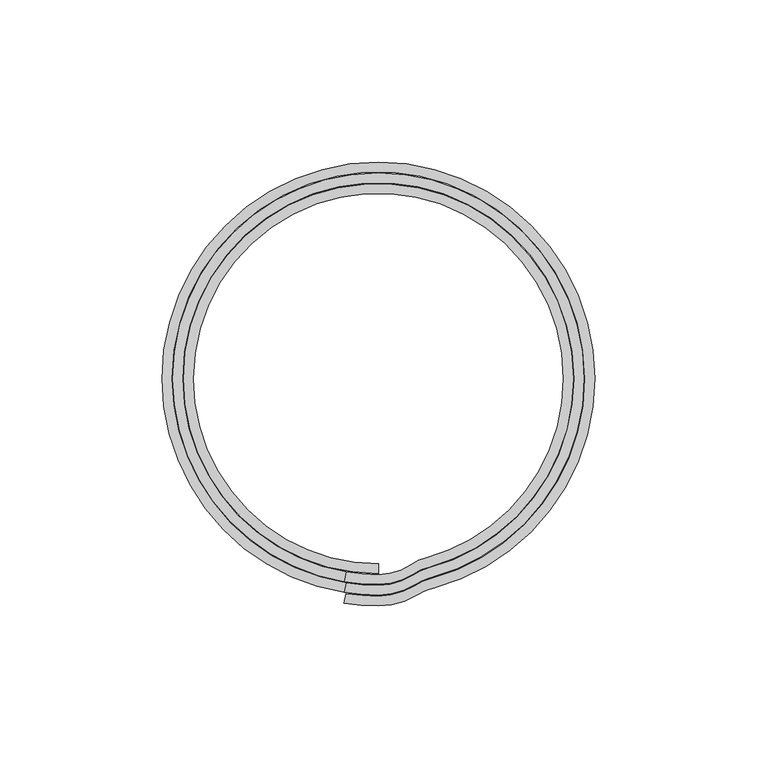
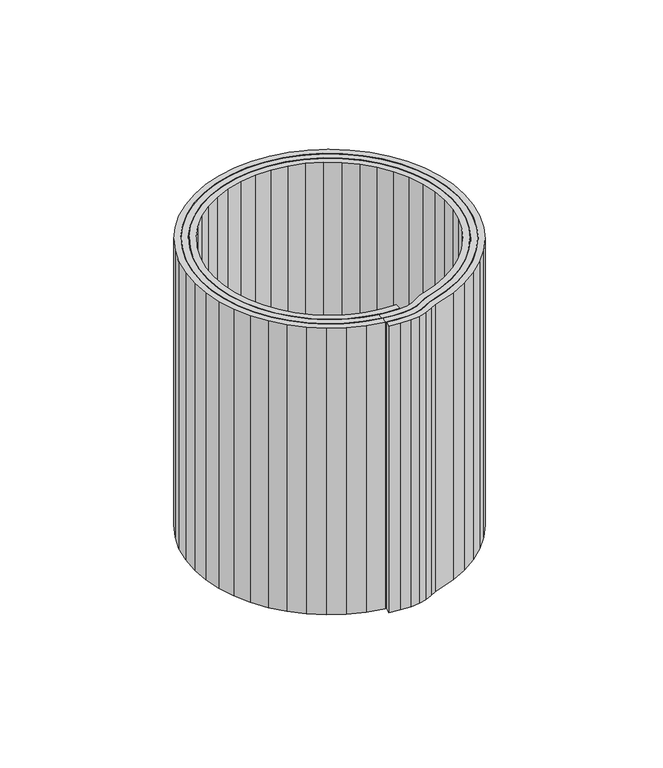
"""IFC4 building model written with IfcOpenShell, lengths in millimetres: beam geometry."""

from ifc_helpers import new_model, si_unit, origin, place, context, project, spatial, triangles, source, transform, mapped, element, save


def beam_7feeba13(model_context):
    return source(origin(), model_context, "Body", "Tessellation", [
        triangles([(63.7499969, 0.0, 150.0000102), (63.7499969, 0.0, 0.0), (63.2046086, -8.3210452, 150.0000102), (63.2046086, -8.3210452, 0.0), (61.577773, -16.4997151, 150.0000102), (61.577773, -16.4997151, 0.0), (58.8973179, -24.3960695, 150.0000102), (58.8973179, -24.3960695, 0.0), (55.209121, -31.8749984, 150.0000102), (55.209121, -31.8749984, 0.0), (50.5762779, -38.8085414, 150.0000102), (50.5762779, -38.8085414, 0.0), (45.0780579, -45.0780579, 150.0000102), (45.0780579, -45.0780579, 0.0), (38.8085414, -50.5762779, 150.0000102), (38.8085414, -50.5762779, 0.0), (31.8749984, -55.209121, 150.0000102), (31.8749984, -55.209121, 0.0), (24.3960695, -58.8973179, 150.0000102), (24.3960695, -58.8973179, 0.0), (16.4997151, -61.577773, 150.0000102), (16.4997151, -61.577773, 0.0), (-63.7499969, 0.0, 150.0000102), (-63.7499969, 0.0, 0.0), (-63.1562331, 8.6806242, 150.0000102), (-63.1562331, 8.6806242, 0.0), (-61.3859787, 17.199544, 150.0000102), (-61.3859787, 17.199544, 0.0), (-58.4722213, 25.3980705, 150.0000102), (-58.4722213, 25.3980705, 0.0), (-54.4692361, 33.1234778, 150.0000102), (-54.4692361, 33.1234778, 0.0), (-49.4515918, 40.2318557, 150.0000102), (-49.4515918, 40.2318557, 0.0), (-43.5127601, 46.5907926, 150.0000102), (-43.5127601, 46.5907926, 0.0), (-36.7633696, 52.0818319, 150.0000102), (-36.7633696, 52.0818319, 0.0), (-29.3291464, 56.6026815, 150.0000102), (-29.3291464, 56.6026815, 0.0), (-21.3485743, 60.0691305, 150.0000102), (-21.3485743, 60.0691305, 0.0), (-12.9703214, 62.4166071, 150.0000102), (-12.9703214, 62.4166071, 0.0), (-4.3504541, 63.6013822, 150.0000102), (-4.3504541, 63.6013822, 0.0), (4.3504541, 63.6013822, 150.0000102), (4.3504541, 63.6013822, 0.0), (12.9703214, 62.4166071, 150.0000102), (12.9703214, 62.4166071, 0.0), (21.3485743, 60.0691305, 150.0000102), (21.3485743, 60.0691305, 0.0), (29.3291464, 56.6026815, 150.0000102), (29.3291464, 56.6026815, 0.0), (36.7633696, 52.0818319, 150.0000102), (36.7633696, 52.0818319, 0.0), (43.5127601, 46.5907926, 150.0000102), (43.5127601, 46.5907926, 0.0), (49.4515918, 40.2318557, 150.0000102), (49.4515918, 40.2318557, 0.0), (54.4692361, 33.1234778, 150.0000102), (54.4692361, 33.1234778, 0.0), (58.4722213, 25.3980705, 150.0000102), (58.4722213, 25.3980705, 0.0), (61.3859787, 17.199544, 150.0000102), (61.3859787, 17.199544, 0.0), (63.1562331, 8.6806242, 150.0000102), (63.1562331, 8.6806242, 0.0), (66.7499954, 0.0, 150.0000102), (66.7499954, 0.0, 0.0), (66.1789456, 8.7126234, 0.0), (66.1789456, 8.7126234, 150.0000102), (64.4755521, 17.2761711, 0.0), (64.4755521, 17.2761711, 150.0000102), (61.6689602, 25.544119, 0.0), (61.6689602, 25.544119, 150.0000102), (57.8071955, 33.3749977, 0.0), (57.8071955, 33.3749977, 150.0000102), (52.9563334, 40.6348244, 0.0), (52.9563334, 40.6348244, 150.0000102), (47.1993765, 47.1993765, 0.0), (47.1993765, 47.1993765, 150.0000102), (40.6348244, 52.9563334, 0.0), (40.6348244, 52.9563334, 150.0000102), (33.3749977, 57.8071955, 0.0), (33.3749977, 57.8071955, 150.0000102), (25.544119, 61.6689602, 0.0), (25.544119, 61.6689602, 150.0000102), (17.2761711, 64.4755521, 0.0), (17.2761711, 64.4755521, 150.0000102), (8.7126234, 66.1789456, 0.0), (8.7126234, 66.1789456, 150.0000102), (0.0, 66.7499954, 0.0), (0.0, 66.7499954, 150.0000102), (-8.7126234, 66.1789456, 0.0), (-8.7126234, 66.1789456, 150.0000102), (-17.2761711, 64.4755521, 0.0), (-17.2761711, 64.4755521, 150.0000102), (-25.544119, 61.6689602, 0.0), (-25.544119, 61.6689602, 150.0000102), (-33.3749977, 57.8071955, 0.0), (-33.3749977, 57.8071955, 150.0000102), (-40.6348244, 52.9563334, 0.0), (-40.6348244, 52.9563334, 150.0000102), (-47.1993765, 47.1993765, 0.0), (-47.1993765, 47.1993765, 150.0000102), (-52.9563334, 40.6348244, 0.0), (-52.9563334, 40.6348244, 150.0000102), (-57.8071955, 33.3749977, 0.0), (-57.8071955, 33.3749977, 150.0000102), (-61.6689602, 25.544119, 0.0), (-61.6689602, 25.544119, 150.0000102), (-64.4755521, 17.2761711, 0.0), (-64.4755521, 17.2761711, 150.0000102), (-66.1789456, 8.7126234, 0.0), (-66.1789456, 8.7126234, 150.0000102), (-66.7499954, 0.0, 0.0), (-66.7499954, 0.0, 150.0000102), (-66.2004741, -8.5475149, 0.0), (-66.2004741, -8.5475149, 150.0000102), (-64.5609348, -16.9542919, 0.0), (-64.5609348, -16.9542919, 150.0000102), (-61.8583881, -25.0819129, 0.0), (-61.8583881, -25.0819129, 150.0000102), (-58.1373262, -32.7965537, 0.0), (-58.1373262, -32.7965537, 150.0000102), (-53.4590189, -39.9711885, 0.0), (-53.4590189, -39.9711885, 150.0000102), (-47.9004964, -46.4876875, 0.0), (-47.9004964, -46.4876875, 150.0000102), (-41.553273, -52.2387582, 0.0), (-41.553273, -52.2387582, 150.0000102), (-34.5218708, -57.1297024, 0.0), (-34.5218708, -57.1297024, 150.0000102), (-26.9220554, -61.0799927, 0.0), (-26.9220554, -61.0799927, 150.0000102), (-18.8789587, -64.0245804, 0.0), (-18.8789587, -64.0245804, 150.0000102), (-10.5250184, -65.9149946, 0.0), (-10.5250184, -65.9149946, 150.0000102), (0.0, -70.0500029, 150.0000102), (0.0, -70.0500029, 0.0), (4.1004336, -69.6810801, 0.0), (4.1004336, -69.6810801, 150.0000102), (8.0691631, -68.5861615, 0.0), (8.0691631, -68.5861615, 150.0000102), (11.7787165, -66.8004148, 0.0), (11.7787165, -66.8004148, 150.0000102), (14.4469379, -65.4476222, 150.0000102), (14.4469379, -65.4476222, 0.0), (17.2761711, -64.4755521, 150.0000102), (17.2761711, -64.4755521, 0.0), (25.544119, -61.6689602, 0.0), (25.544119, -61.6689602, 150.0000102), (33.3749977, -57.8071955, 0.0), (33.3749977, -57.8071955, 150.0000102), (40.6348244, -52.9563334, 0.0), (40.6348244, -52.9563334, 150.0000102), (47.1993765, -47.1993765, 0.0), (47.1993765, -47.1993765, 150.0000102), (52.9563334, -40.6348244, 0.0), (52.9563334, -40.6348244, 150.0000102), (57.8071955, -33.3749977, 0.0), (57.8071955, -33.3749977, 150.0000102), (61.6689602, -25.544119, 0.0), (61.6689602, -25.544119, 150.0000102), (64.4755521, -17.2761711, 0.0), (64.4755521, -17.2761711, 150.0000102), (66.1789456, -8.7126234, 0.0), (66.1789456, -8.7126234, 150.0000102), (-9.9999994, -62.9608054, 150.0000102), (-9.9999994, -62.9608054, 0.0), (-17.9845615, -61.1605882, 150.0000102), (-17.9845615, -61.1605882, 0.0), (-25.6726585, -58.3521841, 150.0000102), (-25.6726585, -58.3521841, 0.0), (-32.9375517, -54.5818655, 150.0000102), (-32.9375517, -54.5818655, 0.0), (-39.6594887, -49.9117972, 150.0000102), (-39.6594887, -49.9117972, 0.0), (-45.7276594, -44.4189593, 150.0000102), (-45.7276594, -44.4189593, 0.0), (-51.0420334, -38.1938942, 150.0000102), (-51.0420334, -38.1938942, 0.0), (-55.5150071, -31.3392208, 150.0000102), (-55.5150071, -31.3392208, 0.0), (-59.0728432, -23.9679388, 150.0000102), (-59.0728432, -23.9679388, 0.0), (-61.6568879, -16.2015581, 150.0000102), (-61.6568879, -16.2015581, 0.0), (-63.224552, -8.1681021, 150.0000102), (-63.224552, -8.1681021, 0.0), (13.7955117, -62.5192217, 0.0), (13.7955117, -62.5192217, 150.0000102), (11.2576295, -63.8451945, 0.0), (11.2576295, -63.8451945, 150.0000102), (7.7253023, -65.6051343, 150.0000102), (7.7253023, -65.6051343, 0.0), (3.9296293, -66.6856779, 150.0000102), (3.9296293, -66.6856779, 0.0), (0.0, -67.0500044, 150.0000102), (0.0, -67.0500044, 0.0), (-5.0140392, -66.8622615, 150.0000102), (-5.0140392, -66.8622615, 0.0), (-9.9999994, -66.3000956, 150.0000102), (-9.9999994, -66.3000956, 0.0), (-10.525107, -69.2547799, 150.0000102), (-10.525107, -69.2547799, 0.0), (-5.2775525, -69.8509144, 0.0), (-5.2775525, -69.8509144, 150.0000102)], [[1, 2, 3], [3, 2, 4], [3, 4, 5], [5, 4, 6], [5, 6, 7], [7, 6, 8], [7, 8, 9], [9, 8, 10], [9, 10, 11], [11, 10, 12], [11, 12, 13], [13, 12, 14], [13, 14, 15], [15, 14, 16], [15, 16, 17], [17, 16, 18], [17, 18, 19], [19, 18, 20], [19, 20, 21], [21, 20, 22], [23, 24, 25], [25, 24, 26], [25, 26, 27], [27, 26, 28], [27, 28, 29], [29, 28, 30], [29, 30, 31], [31, 30, 32], [31, 32, 33], [33, 32, 34], [33, 34, 35], [35, 34, 36], [35, 36, 37], [37, 36, 38], [37, 38, 39], [39, 38, 40], [39, 40, 41], [41, 40, 42], [41, 42, 43], [43, 42, 44], [43, 44, 45], [45, 44, 46], [45, 46, 47], [47, 46, 48], [47, 48, 49], [49, 48, 50], [49, 50, 51], [51, 50, 52], [51, 52, 53], [53, 52, 54], [53, 54, 55], [55, 54, 56], [55, 56, 57], [57, 56, 58], [57, 58, 59], [59, 58, 60], [59, 60, 61], [61, 60, 62], [61, 62, 63], [63, 62, 64], [63, 64, 65], [65, 64, 66], [65, 66, 67], [67, 66, 68], [67, 68, 1], [1, 68, 2], [69, 70, 71], [69, 71, 72], [72, 71, 73], [72, 73, 74], [74, 73, 75], [74, 75, 76], [76, 75, 77], [76, 77, 78], [78, 77, 79], [78, 79, 80], [80, 79, 81], [80, 81, 82], [82, 81, 83], [82, 83, 84], [84, 83, 85], [84, 85, 86], [86, 85, 87], [86, 87, 88], [88, 87, 89], [88, 89, 90], [90, 89, 91], [90, 91, 92], [92, 91, 93], [92, 93, 94], [94, 93, 95], [94, 95, 96], [96, 95, 97], [96, 97, 98], [98, 97, 99], [98, 99, 100], [100, 99, 101], [100, 101, 102], [102, 101, 103], [102, 103, 104], [104, 103, 105], [104, 105, 106], [106, 105, 107], [106, 107, 108], [108, 107, 109], [108, 109, 110], [110, 109, 111], [110, 111, 112], [112, 111, 113], [112, 113, 114], [114, 113, 115], [114, 115, 116], [116, 115, 117], [116, 117, 118], [118, 117, 119], [118, 119, 120], [120, 119, 121], [120, 121, 122], [122, 121, 123], [122, 123, 124], [124, 123, 125], [124, 125, 126], [126, 125, 127], [126, 127, 128], [128, 127, 129], [128, 129, 130], [130, 129, 131], [130, 131, 132], [132, 131, 133], [132, 133, 134], [134, 133, 135], [134, 135, 136], [136, 135, 137], [136, 137, 138], [138, 137, 139], [138, 139, 140], [141, 142, 143], [141, 143, 144], [144, 143, 145], [144, 145, 146], [146, 145, 147], [146, 147, 148], [148, 147, 149], [149, 147, 150], [149, 150, 151], [151, 150, 152], [151, 152, 153], [151, 153, 154], [154, 153, 155], [154, 155, 156], [156, 155, 157], [156, 157, 158], [158, 157, 159], [158, 159, 160], [160, 159, 161], [160, 161, 162], [162, 161, 163], [162, 163, 164], [164, 163, 165], [164, 165, 166], [166, 165, 167], [166, 167, 168], [168, 167, 169], [168, 169, 170], [170, 169, 70], [170, 70, 69], [171, 140, 172], [172, 140, 139], [171, 172, 173], [173, 172, 174], [173, 174, 175], [175, 174, 176], [175, 176, 177], [177, 176, 178], [177, 178, 179], [179, 178, 180], [179, 180, 181], [181, 180, 182], [181, 182, 183], [183, 182, 184], [183, 184, 185], [185, 184, 186], [185, 186, 187], [187, 186, 188], [187, 188, 189], [189, 188, 190], [189, 190, 191], [191, 190, 192], [191, 192, 23], [23, 192, 24], [21, 22, 193], [21, 193, 194], [194, 193, 195], [194, 195, 196], [196, 195, 197], [197, 195, 198], [197, 198, 199], [199, 198, 200], [199, 200, 201], [201, 200, 202], [201, 202, 203], [203, 202, 204], [203, 204, 205], [205, 204, 206], [207, 205, 208], [208, 205, 206], [207, 208, 209], [207, 209, 210], [210, 209, 142], [210, 142, 141], [203, 205, 207], [203, 207, 210], [201, 203, 210], [201, 210, 141], [199, 201, 141], [199, 141, 144], [197, 199, 144], [197, 144, 146], [196, 197, 146], [196, 146, 148], [194, 196, 148], [194, 148, 149], [21, 194, 149], [149, 151, 17], [149, 17, 19], [149, 19, 21], [45, 96, 43], [98, 43, 96], [43, 98, 41], [100, 41, 98], [41, 100, 39], [102, 39, 100], [39, 102, 37], [104, 37, 102], [37, 104, 35], [106, 35, 104], [35, 106, 33], [108, 33, 106], [33, 108, 31], [110, 31, 108], [31, 110, 29], [112, 29, 110], [29, 112, 27], [27, 112, 114], [27, 114, 25], [25, 114, 116], [25, 116, 23], [23, 116, 118], [191, 23, 118], [191, 118, 120], [189, 191, 120], [189, 120, 122], [187, 189, 122], [187, 122, 124], [185, 187, 124], [185, 124, 126], [183, 185, 126], [183, 126, 128], [181, 183, 128], [181, 128, 130], [179, 181, 130], [179, 130, 132], [177, 179, 132], [177, 132, 134], [175, 177, 134], [175, 134, 136], [173, 175, 136], [173, 136, 138], [171, 173, 138], [171, 138, 140], [151, 154, 17], [17, 154, 156], [15, 17, 156], [15, 156, 158], [13, 15, 158], [13, 158, 160], [11, 13, 160], [11, 160, 162], [9, 11, 162], [9, 162, 164], [7, 9, 164], [7, 164, 166], [5, 7, 166], [5, 166, 168], [3, 5, 168], [3, 168, 170], [1, 3, 170], [1, 170, 69], [67, 1, 69], [67, 69, 72], [65, 67, 72], [65, 72, 74], [63, 65, 74], [63, 74, 76], [61, 63, 76], [61, 76, 78], [59, 61, 78], [59, 78, 80], [57, 59, 80], [57, 80, 82], [55, 57, 82], [55, 82, 84], [53, 55, 84], [53, 84, 86], [51, 53, 86], [51, 86, 88], [49, 51, 88], [49, 88, 90], [47, 49, 90], [47, 90, 92], [45, 47, 92], [45, 92, 94], [96, 45, 94], [46, 93, 48], [91, 48, 93], [48, 91, 50], [89, 50, 91], [50, 89, 52], [87, 52, 89], [52, 87, 54], [85, 54, 87], [54, 85, 56], [83, 56, 85], [56, 83, 58], [81, 58, 83], [58, 81, 60], [79, 60, 81], [60, 79, 62], [77, 62, 79], [62, 77, 64], [75, 64, 77], [64, 75, 66], [66, 75, 73], [66, 73, 68], [68, 73, 71], [68, 71, 2], [2, 71, 70], [4, 2, 70], [4, 70, 169], [6, 4, 169], [6, 169, 167], [8, 6, 167], [8, 167, 165], [10, 8, 165], [10, 165, 163], [12, 10, 163], [12, 163, 161], [14, 12, 161], [14, 161, 159], [16, 14, 159], [16, 159, 157], [18, 16, 157], [18, 157, 155], [20, 18, 155], [20, 155, 153], [22, 20, 153], [22, 153, 152], [22, 152, 193], [193, 152, 150], [193, 150, 195], [195, 150, 147], [195, 147, 198], [198, 147, 145], [198, 145, 200], [200, 145, 143], [200, 143, 202], [202, 143, 142], [204, 202, 142], [204, 142, 209], [206, 204, 209], [206, 209, 208], [174, 172, 139], [174, 139, 137], [176, 174, 137], [176, 137, 135], [178, 176, 135], [178, 135, 133], [180, 178, 133], [180, 133, 131], [182, 180, 131], [182, 131, 129], [184, 182, 129], [184, 129, 127], [186, 184, 127], [186, 127, 125], [188, 186, 125], [188, 125, 123], [190, 188, 123], [190, 123, 121], [192, 190, 121], [192, 121, 119], [24, 192, 119], [24, 119, 117], [26, 24, 117], [26, 117, 115], [28, 26, 115], [28, 115, 113], [30, 28, 113], [30, 113, 111], [32, 30, 111], [32, 111, 109], [34, 32, 109], [34, 109, 107], [36, 34, 107], [36, 107, 105], [38, 36, 105], [38, 105, 103], [40, 38, 103], [40, 103, 101], [42, 40, 101], [42, 101, 99], [44, 42, 99], [44, 99, 97], [46, 44, 97], [46, 97, 95], [93, 46, 95]]),
        triangles([(60.4499984, 0.0, 150.0000102), (60.4499984, 0.0, 0.0), (59.9328425, -7.890308, 150.0000102), (59.9328425, -7.890308, 0.0), (58.3902132, -15.6456123, 150.0000102), (58.3902132, -15.6456123, 0.0), (55.8485169, -23.1332128, 150.0000102), (55.8485169, -23.1332128, 0.0), (52.3512377, -30.2249992, 150.0000102), (52.3512377, -30.2249992, 0.0), (47.95821, -36.7996274, 150.0000102), (47.95821, -36.7996274, 0.0), (42.7446066, -42.7446066, 150.0000102), (42.7446066, -42.7446066, 0.0), (36.7996274, -47.95821, 150.0000102), (36.7996274, -47.95821, 0.0), (30.2249992, -52.3512377, 150.0000102), (30.2249992, -52.3512377, 0.0), (23.1332128, -55.8485169, 150.0000102), (23.1332128, -55.8485169, 0.0), (15.6456123, -58.3902132, 150.0000102), (15.6456123, -58.3902132, 0.0), (-60.4499984, 0.0, 150.0000102), (-60.4499984, 0.0, 0.0), (-59.886965, 8.2312739, 150.0000102), (-59.886965, 8.2312739, 0.0), (-58.208352, 16.3092153, 150.0000102), (-58.208352, 16.3092153, 0.0), (-55.4454211, 24.0833456, 150.0000102), (-55.4454211, 24.0833456, 0.0), (-51.6496544, 31.40885, 150.0000102), (-51.6496544, 31.40885, 0.0), (-46.8917508, 38.1492657, 150.0000102), (-46.8917508, 38.1492657, 0.0), (-41.2603403, 44.1790348, 150.0000102), (-41.2603403, 44.1790348, 0.0), (-34.8603245, 49.38583, 150.0000102), (-34.8603245, 49.38583, 0.0), (-27.8109319, 53.6726596, 150.0000102), (-27.8109319, 53.6726596, 0.0), (-20.2434728, 56.9596728, 150.0000102), (-20.2434728, 56.9596728, 0.0), (-12.2989154, 59.1856316, 150.0000102), (-12.2989154, 59.1856316, 0.0), (-4.1252538, 60.3090777, 150.0000102), (-4.1252538, 60.3090777, 0.0), (4.1252538, 60.3090777, 150.0000102), (4.1252538, 60.3090777, 0.0), (12.2989154, 59.1856316, 150.0000102), (12.2989154, 59.1856316, 0.0), (20.2434728, 56.9596728, 150.0000102), (20.2434728, 56.9596728, 0.0), (27.8109319, 53.6726596, 150.0000102), (27.8109319, 53.6726596, 0.0), (34.8603245, 49.38583, 150.0000102), (34.8603245, 49.38583, 0.0), (41.2603403, 44.1790348, 150.0000102), (41.2603403, 44.1790348, 0.0), (46.8917508, 38.1492657, 150.0000102), (46.8917508, 38.1492657, 0.0), (51.6496544, 31.40885, 150.0000102), (51.6496544, 31.40885, 0.0), (55.4454211, 24.0833456, 150.0000102), (55.4454211, 24.0833456, 0.0), (58.208352, 16.3092153, 150.0000102), (58.208352, 16.3092153, 0.0), (59.886965, 8.2312739, 150.0000102), (59.886965, 8.2312739, 0.0), (63.4500015, 0.0, 150.0000102), (63.4500015, 0.0, 0.0), (62.9071749, 8.2818868, 0.0), (62.9071749, 8.2818868, 150.0000102), (61.2879969, 16.4220683, 0.0), (61.2879969, 16.4220683, 150.0000102), (58.6201546, 24.2812623, 0.0), (58.6201546, 24.2812623, 150.0000102), (54.9493122, 31.7250008, 0.0), (54.9493122, 31.7250008, 150.0000102), (50.3382701, 38.6259127, 0.0), (50.3382701, 38.6259127, 150.0000102), (44.8659251, 44.8659251, 0.0), (44.8659251, 44.8659251, 150.0000102), (38.6259127, 50.3382701, 0.0), (38.6259127, 50.3382701, 150.0000102), (31.7250008, 54.9493122, 0.0), (31.7250008, 54.9493122, 150.0000102), (24.2812623, 58.6201546, 0.0), (24.2812623, 58.6201546, 150.0000102), (16.4220683, 61.2879969, 0.0), (16.4220683, 61.2879969, 150.0000102), (8.2818868, 62.9071749, 0.0), (8.2818868, 62.9071749, 150.0000102), (0.0, 63.4500015, 0.0), (0.0, 63.4500015, 150.0000102), (-8.2818868, 62.9071749, 0.0), (-8.2818868, 62.9071749, 150.0000102), (-16.4220683, 61.2879969, 0.0), (-16.4220683, 61.2879969, 150.0000102), (-24.2812623, 58.6201546, 0.0), (-24.2812623, 58.6201546, 150.0000102), (-31.7250008, 54.9493122, 0.0), (-31.7250008, 54.9493122, 150.0000102), (-38.6259127, 50.3382701, 0.0), (-38.6259127, 50.3382701, 150.0000102), (-44.8659251, 44.8659251, 0.0), (-44.8659251, 44.8659251, 150.0000102), (-50.3382701, 38.6259127, 0.0), (-50.3382701, 38.6259127, 150.0000102), (-54.9493122, 31.7250008, 0.0), (-54.9493122, 31.7250008, 150.0000102), (-58.6201546, 24.2812623, 0.0), (-58.6201546, 24.2812623, 150.0000102), (-61.2879969, 16.4220683, 0.0), (-61.2879969, 16.4220683, 150.0000102), (-62.9071749, 8.2818868, 0.0), (-62.9071749, 8.2818868, 150.0000102), (-63.4500015, 0.0, 0.0), (-63.4500015, 0.0, 150.0000102), (-62.9337585, -8.0774037, 0.0), (-62.9337585, -8.0774037, 150.0000102), (-61.3934365, -16.0233679, 0.0), (-61.3934365, -16.0233679, 150.0000102), (-58.8540975, -23.7085956, 0.0), (-58.8540975, -23.7085956, 150.0000102), (-55.3570635, -31.0080274, 0.0), (-55.3570635, -31.0080274, 150.0000102), (-50.9592396, -37.8028865, 0.0), (-50.9592396, -37.8028865, 150.0000102), (-45.7321922, -43.9826033, 0.0), (-45.7321922, -43.9826033, 150.0000102), (-39.7609678, -49.4466185, 0.0), (-39.7609678, -49.4466185, 150.0000102), (-33.1427422, -54.1060179, 0.0), (-33.1427422, -54.1060179, 150.0000102), (-25.9852053, -57.8849887, 0.0), (-25.9852053, -57.8849887, 150.0000102), (-18.4048268, -60.7220294, 0.0), (-18.4048268, -60.7220294, 150.0000102), (-10.5249571, -62.5709809, 0.0), (-10.5249571, -62.5709809, 150.0000102), (0.0, -66.7499954, 150.0000102), (0.0, -66.7499954, 0.0), (3.9125672, -66.3861323, 0.0), (3.9125672, -66.3861323, 150.0000102), (7.6909379, -65.3070194, 0.0), (7.6909379, -65.3070194, 150.0000102), (11.2055217, -63.5496684, 0.0), (11.2055217, -63.5496684, 150.0000102), (13.7303597, -62.2263889, 150.0000102), (13.7303597, -62.2263889, 0.0), (16.4220683, -61.2879969, 150.0000102), (16.4220683, -61.2879969, 0.0), (24.2812623, -58.6201546, 0.0), (24.2812623, -58.6201546, 150.0000102), (31.7250008, -54.9493122, 0.0), (31.7250008, -54.9493122, 150.0000102), (38.6259127, -50.3382701, 0.0), (38.6259127, -50.3382701, 150.0000102), (44.8659251, -44.8659251, 0.0), (44.8659251, -44.8659251, 150.0000102), (50.3382701, -38.6259127, 0.0), (50.3382701, -38.6259127, 150.0000102), (54.9493122, -31.7250008, 0.0), (54.9493122, -31.7250008, 150.0000102), (58.6201546, -24.2812623, 0.0), (58.6201546, -24.2812623, 150.0000102), (61.2879969, -16.4220683, 0.0), (61.2879969, -16.4220683, 150.0000102), (62.9071749, -8.2818868, 0.0), (62.9071749, -8.2818868, 150.0000102), (-9.9999994, -59.6171323, 150.0000102), (-9.9999994, -59.6171323, 0.0), (-17.5105148, -57.8583143, 150.0000102), (-17.5105148, -57.8583143, 0.0), (-24.7359061, -55.1573845, 150.0000102), (-24.7359061, -55.1573845, 0.0), (-31.5585252, -51.5583355, 150.0000102), (-31.5585252, -51.5583355, 0.0), (-37.8672789, -47.1197619, 150.0000102), (-37.8672789, -47.1197619, 0.0), (-43.5594369, -41.9139387, 150.0000102), (-43.5594369, -41.9139387, 0.0), (-48.5423177, -36.0256285, 150.0000102), (-48.5423177, -36.0256285, 0.0), (-52.7347853, -29.5507172, 150.0000102), (-52.7347853, -29.5507172, 0.0), (-56.0685753, -22.5946306, 150.0000102), (-56.0685753, -22.5946306, 0.0), (-58.4893986, -15.2706363, 150.0000102), (-58.4893986, -15.2706363, 0.0), (-59.9578455, -7.6979915, 150.0000102), (-59.9578455, -7.6979915, 0.0), (13.0787211, -59.298052, 0.0), (13.0787211, -59.298052, 150.0000102), (10.6844201, -60.5943619, 0.0), (10.6844201, -60.5943619, 150.0000102), (7.3475359, -62.3258196, 150.0000102), (7.3475359, -62.3258196, 0.0), (3.7421439, -63.390671, 150.0000102), (3.7421439, -63.390671, 0.0), (0.0, -63.7499969, 150.0000102), (0.0, -63.7499969, 0.0), (-5.0155471, -63.5523935, 150.0000102), (-5.0155471, -63.5523935, 0.0), (-9.9999994, -62.9608054, 150.0000102), (-9.9999994, -62.9608054, 0.0), (-10.5250184, -65.9149946, 150.0000102), (-10.5250184, -65.9149946, 0.0), (-5.2790451, -66.5409193, 0.0), (-5.2790451, -66.5409193, 150.0000102)], [[1, 2, 3], [3, 2, 4], [3, 4, 5], [5, 4, 6], [5, 6, 7], [7, 6, 8], [7, 8, 9], [9, 8, 10], [9, 10, 11], [11, 10, 12], [11, 12, 13], [13, 12, 14], [13, 14, 15], [15, 14, 16], [15, 16, 17], [17, 16, 18], [17, 18, 19], [19, 18, 20], [19, 20, 21], [21, 20, 22], [23, 24, 25], [25, 24, 26], [25, 26, 27], [27, 26, 28], [27, 28, 29], [29, 28, 30], [29, 30, 31], [31, 30, 32], [31, 32, 33], [33, 32, 34], [33, 34, 35], [35, 34, 36], [35, 36, 37], [37, 36, 38], [37, 38, 39], [39, 38, 40], [39, 40, 41], [41, 40, 42], [41, 42, 43], [43, 42, 44], [43, 44, 45], [45, 44, 46], [45, 46, 47], [47, 46, 48], [47, 48, 49], [49, 48, 50], [49, 50, 51], [51, 50, 52], [51, 52, 53], [53, 52, 54], [53, 54, 55], [55, 54, 56], [55, 56, 57], [57, 56, 58], [57, 58, 59], [59, 58, 60], [59, 60, 61], [61, 60, 62], [61, 62, 63], [63, 62, 64], [63, 64, 65], [65, 64, 66], [65, 66, 67], [67, 66, 68], [67, 68, 1], [1, 68, 2], [69, 70, 71], [69, 71, 72], [72, 71, 73], [72, 73, 74], [74, 73, 75], [74, 75, 76], [76, 75, 77], [76, 77, 78], [78, 77, 79], [78, 79, 80], [80, 79, 81], [80, 81, 82], [82, 81, 83], [82, 83, 84], [84, 83, 85], [84, 85, 86], [86, 85, 87], [86, 87, 88], [88, 87, 89], [88, 89, 90], [90, 89, 91], [90, 91, 92], [92, 91, 93], [92, 93, 94], [94, 93, 95], [94, 95, 96], [96, 95, 97], [96, 97, 98], [98, 97, 99], [98, 99, 100], [100, 99, 101], [100, 101, 102], [102, 101, 103], [102, 103, 104], [104, 103, 105], [104, 105, 106], [106, 105, 107], [106, 107, 108], [108, 107, 109], [108, 109, 110], [110, 109, 111], [110, 111, 112], [112, 111, 113], [112, 113, 114], [114, 113, 115], [114, 115, 116], [116, 115, 117], [116, 117, 118], [118, 117, 119], [118, 119, 120], [120, 119, 121], [120, 121, 122], [122, 121, 123], [122, 123, 124], [124, 123, 125], [124, 125, 126], [126, 125, 127], [126, 127, 128], [128, 127, 129], [128, 129, 130], [130, 129, 131], [130, 131, 132], [132, 131, 133], [132, 133, 134], [134, 133, 135], [134, 135, 136], [136, 135, 137], [136, 137, 138], [138, 137, 139], [138, 139, 140], [141, 142, 143], [141, 143, 144], [144, 143, 145], [144, 145, 146], [146, 145, 147], [146, 147, 148], [148, 147, 149], [149, 147, 150], [149, 150, 151], [151, 150, 152], [151, 152, 153], [151, 153, 154], [154, 153, 155], [154, 155, 156], [156, 155, 157], [156, 157, 158], [158, 157, 159], [158, 159, 160], [160, 159, 161], [160, 161, 162], [162, 161, 163], [162, 163, 164], [164, 163, 165], [164, 165, 166], [166, 165, 167], [166, 167, 168], [168, 167, 169], [168, 169, 170], [170, 169, 70], [170, 70, 69], [171, 140, 172], [172, 140, 139], [171, 172, 173], [173, 172, 174], [173, 174, 175], [175, 174, 176], [175, 176, 177], [177, 176, 178], [177, 178, 179], [179, 178, 180], [179, 180, 181], [181, 180, 182], [181, 182, 183], [183, 182, 184], [183, 184, 185], [185, 184, 186], [185, 186, 187], [187, 186, 188], [187, 188, 189], [189, 188, 190], [189, 190, 191], [191, 190, 192], [191, 192, 23], [23, 192, 24], [21, 22, 193], [21, 193, 194], [194, 193, 195], [194, 195, 196], [196, 195, 197], [197, 195, 198], [197, 198, 199], [199, 198, 200], [199, 200, 201], [201, 200, 202], [201, 202, 203], [203, 202, 204], [203, 204, 205], [205, 204, 206], [207, 205, 208], [208, 205, 206], [207, 208, 209], [207, 209, 210], [210, 209, 142], [210, 142, 141], [203, 205, 207], [203, 207, 210], [201, 203, 210], [201, 210, 141], [199, 201, 141], [199, 141, 144], [197, 199, 144], [197, 144, 146], [196, 197, 146], [196, 146, 148], [194, 196, 148], [194, 148, 149], [21, 194, 149], [149, 151, 17], [149, 17, 19], [149, 19, 21], [45, 96, 43], [98, 43, 96], [43, 98, 41], [100, 41, 98], [41, 100, 39], [102, 39, 100], [39, 102, 37], [104, 37, 102], [37, 104, 35], [106, 35, 104], [35, 106, 33], [108, 33, 106], [33, 108, 31], [110, 31, 108], [31, 110, 29], [112, 29, 110], [29, 112, 27], [27, 112, 114], [27, 114, 25], [25, 114, 116], [25, 116, 23], [23, 116, 118], [191, 23, 118], [191, 118, 120], [189, 191, 120], [189, 120, 122], [187, 189, 122], [187, 122, 124], [185, 187, 124], [185, 124, 126], [183, 185, 126], [183, 126, 128], [181, 183, 128], [181, 128, 130], [179, 181, 130], [179, 130, 132], [177, 179, 132], [177, 132, 134], [175, 177, 134], [175, 134, 136], [173, 175, 136], [173, 136, 138], [171, 173, 138], [171, 138, 140], [151, 154, 17], [17, 154, 156], [15, 17, 156], [15, 156, 158], [13, 15, 158], [13, 158, 160], [11, 13, 160], [11, 160, 162], [9, 11, 162], [9, 162, 164], [7, 9, 164], [7, 164, 166], [5, 7, 166], [5, 166, 168], [3, 5, 168], [3, 168, 170], [1, 3, 170], [1, 170, 69], [67, 1, 69], [67, 69, 72], [65, 67, 72], [65, 72, 74], [63, 65, 74], [63, 74, 76], [61, 63, 76], [61, 76, 78], [59, 61, 78], [59, 78, 80], [57, 59, 80], [57, 80, 82], [55, 57, 82], [55, 82, 84], [53, 55, 84], [53, 84, 86], [51, 53, 86], [51, 86, 88], [49, 51, 88], [49, 88, 90], [47, 49, 90], [47, 90, 92], [45, 47, 92], [45, 92, 94], [96, 45, 94], [208, 206, 209], [209, 206, 204], [209, 204, 142], [142, 204, 202], [142, 202, 143], [143, 202, 200], [143, 200, 145], [145, 200, 198], [145, 198, 147], [147, 198, 195], [147, 195, 150], [150, 195, 193], [150, 193, 152], [152, 193, 22], [152, 22, 153], [153, 22, 20], [153, 20, 155], [155, 20, 18], [155, 18, 157], [157, 18, 16], [157, 16, 159], [159, 16, 14], [159, 14, 161], [161, 14, 12], [161, 12, 163], [163, 12, 10], [163, 10, 165], [165, 10, 8], [165, 8, 167], [167, 8, 6], [167, 6, 169], [169, 6, 4], [169, 4, 70], [70, 4, 2], [70, 2, 71], [71, 2, 68], [71, 68, 73], [73, 68, 66], [73, 66, 75], [75, 66, 64], [75, 64, 77], [77, 64, 62], [77, 62, 79], [60, 79, 62], [79, 60, 81], [58, 81, 60], [81, 58, 83], [56, 83, 58], [83, 56, 85], [54, 85, 56], [85, 54, 87], [52, 87, 54], [87, 52, 89], [50, 89, 52], [89, 50, 91], [48, 91, 50], [91, 48, 93], [46, 93, 48], [174, 172, 139], [174, 139, 137], [176, 174, 137], [176, 137, 135], [178, 176, 135], [178, 135, 133], [180, 178, 133], [180, 133, 131], [182, 180, 131], [182, 131, 129], [184, 182, 129], [184, 129, 127], [186, 184, 127], [186, 127, 125], [188, 186, 125], [188, 125, 123], [190, 188, 123], [190, 123, 121], [192, 190, 121], [192, 121, 119], [24, 192, 119], [24, 119, 117], [26, 24, 117], [26, 117, 115], [28, 26, 115], [28, 115, 113], [30, 28, 113], [30, 113, 111], [32, 30, 111], [32, 111, 109], [34, 32, 109], [34, 109, 107], [36, 34, 107], [36, 107, 105], [38, 36, 105], [38, 105, 103], [40, 38, 103], [40, 103, 101], [42, 40, 101], [42, 101, 99], [44, 42, 99], [44, 99, 97], [46, 44, 97], [46, 97, 95], [93, 46, 95]]),
        triangles([(57.15, 0.0, 150.0000102), (57.15, 0.0, 0.0), (56.6610718, -7.459572, 150.0000102), (56.6610718, -7.459572, 0.0), (55.2026579, -14.7915083, 150.0000102), (55.2026579, -14.7915083, 0.0), (52.7997159, -21.8703584, 150.0000102), (52.7997159, -21.8703584, 0.0), (49.4933498, -28.575, 150.0000102), (49.4933498, -28.575, 0.0), (45.3401422, -34.790718, 150.0000102), (45.3401422, -34.790718, 0.0), (40.4111507, -40.4111507, 150.0000102), (40.4111507, -40.4111507, 0.0), (34.790718, -45.3401422, 150.0000102), (34.790718, -45.3401422, 0.0), (28.575, -49.4933498, 150.0000102), (28.575, -49.4933498, 0.0), (21.8703584, -52.7997159, 150.0000102), (21.8703584, -52.7997159, 0.0), (14.7915083, -55.2026579, 150.0000102), (14.7915083, -55.2026579, 0.0), (-57.15, 0.0, 150.0000102), (-57.15, 0.0, 0.0), (-56.6177015, 7.7819242, 150.0000102), (-56.6177015, 7.7819242, 0.0), (-55.0307207, 15.4188853, 150.0000102), (-55.0307207, 15.4188853, 0.0), (-52.4186255, 22.7686229, 150.0000102), (-52.4186255, 22.7686229, 0.0), (-48.8300682, 29.6942222, 150.0000102), (-48.8300682, 29.6942222, 0.0), (-44.3319007, 36.066678, 150.0000102), (-44.3319007, 36.066678, 0.0), (-39.0079115, 41.7672771, 150.0000102), (-39.0079115, 41.7672771, 0.0), (-32.9572816, 46.6898327, 150.0000102), (-32.9572816, 46.6898327, 0.0), (-26.2927174, 50.7426422, 150.0000102), (-26.2927174, 50.7426422, 0.0), (-19.138369, 53.8502105, 150.0000102), (-19.138369, 53.8502105, 0.0), (-11.6275107, 55.954656, 150.0000102), (-11.6275107, 55.954656, 0.0), (-3.9000538, 57.0167732, 150.0000102), (-3.9000538, 57.0167732, 0.0), (3.9000538, 57.0167732, 150.0000102), (3.9000538, 57.0167732, 0.0), (11.6275107, 55.954656, 150.0000102), (11.6275107, 55.954656, 0.0), (19.138369, 53.8502105, 150.0000102), (19.138369, 53.8502105, 0.0), (26.2927174, 50.7426422, 150.0000102), (26.2927174, 50.7426422, 0.0), (32.9572816, 46.6898327, 150.0000102), (32.9572816, 46.6898327, 0.0), (39.0079115, 41.7672771, 150.0000102), (39.0079115, 41.7672771, 0.0), (44.3319007, 36.066678, 150.0000102), (44.3319007, 36.066678, 0.0), (48.8300682, 29.6942222, 150.0000102), (48.8300682, 29.6942222, 0.0), (52.4186255, 22.7686229, 150.0000102), (52.4186255, 22.7686229, 0.0), (55.0307207, 15.4188853, 150.0000102), (55.0307207, 15.4188853, 0.0), (56.6177015, 7.7819242, 150.0000102), (56.6177015, 7.7819242, 0.0), (60.1500031, 0.0, 150.0000102), (60.1500031, 0.0, 0.0), (59.5897584, 8.1904243, 0.0), (59.5897584, 8.1904243, 150.0000102), (57.9194752, 16.2282757, 0.0), (57.9194752, 16.2282757, 150.0000102), (55.1702607, 23.9638262, 0.0), (55.1702607, 23.9638262, 150.0000102), (51.3933247, 31.2529729, 0.0), (51.3933247, 31.2529729, 150.0000102), (46.6590343, 37.95994, 0.0), (46.6590343, 37.95994, 150.0000102), (41.05557, 43.9597804, 0.0), (41.05557, 43.9597804, 150.0000102), (34.6873222, 49.1407414, 0.0), (34.6873222, 49.1407414, 150.0000102), (27.6729134, 53.4062923, 0.0), (27.6729134, 53.4062923, 150.0000102), (20.1430088, 56.6769956, 0.0), (20.1430088, 56.6769956, 150.0000102), (12.2378795, 58.8919086, 0.0), (12.2378795, 58.8919086, 150.0000102), (4.104781, 60.0097773, 0.0), (4.104781, 60.0097773, 150.0000102), (-4.104781, 60.0097773, 0.0), (-4.104781, 60.0097773, 150.0000102), (-12.2378795, 58.8919086, 0.0), (-12.2378795, 58.8919086, 150.0000102), (-20.1430088, 56.6769956, 0.0), (-20.1430088, 56.6769956, 150.0000102), (-27.6729134, 53.4062923, 0.0), (-27.6729134, 53.4062923, 150.0000102), (-34.6873222, 49.1407414, 0.0), (-34.6873222, 49.1407414, 150.0000102), (-41.05557, 43.9597804, 0.0), (-41.05557, 43.9597804, 150.0000102), (-46.6590343, 37.95994, 0.0), (-46.6590343, 37.95994, 150.0000102), (-51.3933247, 31.2529729, 0.0), (-51.3933247, 31.2529729, 150.0000102), (-55.1702607, 23.9638262, 0.0), (-55.1702607, 23.9638262, 150.0000102), (-57.9194752, 16.2282757, 0.0), (-57.9194752, 16.2282757, 150.0000102), (-59.5897584, 8.1904243, 0.0), (-59.5897584, 8.1904243, 150.0000102), (-60.1500031, 0.0, 0.0), (-60.1500031, 0.0, 150.0000102), (-59.6354088, -7.8511508, 0.0), (-59.6354088, -7.8511508, 150.0000102), (-58.1004416, -15.5679655, 0.0), (-58.1004416, -15.5679655, 150.0000102), (-55.5713536, -23.0184078, 0.0), (-55.5713536, -23.0184078, 150.0000102), (-52.0914289, -30.0750016, 0.0), (-52.0914289, -30.0750016, 150.0000102), (-47.7202068, -36.6169987, 0.0), (-47.7202068, -36.6169987, 150.0000102), (-42.5324738, -42.5324738, 0.0), (-42.5324738, -42.5324738, 150.0000102), (-36.6169987, -47.7202068, 0.0), (-36.6169987, -47.7202068, 150.0000102), (-30.0750016, -52.0914289, 0.0), (-30.0750016, -52.0914289, 150.0000102), (-23.0184078, -55.5713536, 0.0), (-23.0184078, -55.5713536, 150.0000102), (-15.5679655, -58.1004416, 0.0), (-15.5679655, -58.1004416, 150.0000102), (-7.8511508, -59.6354088, 0.0), (-7.8511508, -59.6354088, 150.0000102), (0.0, -60.1500031, 0.0), (0.0, -60.1500031, 150.0000102), (0.0, -63.4500015, 150.0000102), (0.0, -63.4500015, 0.0), (3.7251229, -63.0911208, 0.0), (3.7251229, -63.0911208, 150.0000102), (7.3132209, -62.027691, 0.0), (7.3132209, -62.027691, 150.0000102), (10.63231, -60.2988267, 0.0), (10.63231, -60.2988267, 150.0000102), (13.0135464, -59.0052238, 150.0000102), (13.0135464, -59.0052238, 0.0), (15.5679655, -58.1004416, 150.0000102), (15.5679655, -58.1004416, 0.0), (23.0184078, -55.5713536, 0.0), (23.0184078, -55.5713536, 150.0000102), (30.0750016, -52.0914289, 0.0), (30.0750016, -52.0914289, 150.0000102), (36.6169987, -47.7202068, 0.0), (36.6169987, -47.7202068, 150.0000102), (42.5324738, -42.5324738, 0.0), (42.5324738, -42.5324738, 150.0000102), (47.7202068, -36.6169987, 0.0), (47.7202068, -36.6169987, 150.0000102), (52.0914289, -30.0750016, 0.0), (52.0914289, -30.0750016, 150.0000102), (55.5713536, -23.0184078, 0.0), (55.5713536, -23.0184078, 150.0000102), (58.1004416, -15.5679655, 0.0), (58.1004416, -15.5679655, 150.0000102), (59.6354088, -7.8511508, 0.0), (59.6354088, -7.8511508, 150.0000102), (0.0, -57.15, 150.0000102), (0.0, -57.15, 0.0), (-7.459572, -56.6610718, 150.0000102), (-7.459572, -56.6610718, 0.0), (-14.7915083, -55.2026579, 150.0000102), (-14.7915083, -55.2026579, 0.0), (-21.8703584, -52.7997159, 150.0000102), (-21.8703584, -52.7997159, 0.0), (-28.575, -49.4933498, 150.0000102), (-28.575, -49.4933498, 0.0), (-34.790718, -45.3401422, 150.0000102), (-34.790718, -45.3401422, 0.0), (-40.4111507, -40.4111507, 150.0000102), (-40.4111507, -40.4111507, 0.0), (-45.3401422, -34.790718, 150.0000102), (-45.3401422, -34.790718, 0.0), (-49.4933498, -28.575, 150.0000102), (-49.4933498, -28.575, 0.0), (-52.7997159, -21.8703584, 150.0000102), (-52.7997159, -21.8703584, 0.0), (-55.2026579, -14.7915083, 150.0000102), (-55.2026579, -14.7915083, 0.0), (-56.6610718, -7.459572, 150.0000102), (-56.6610718, -7.459572, 0.0), (12.3616648, -56.0769596, 0.0), (12.3616648, -56.0769596, 150.0000102), (10.1111913, -57.3434202, 0.0), (10.1111913, -57.3434202, 150.0000102), (6.9703509, -59.0462914, 150.0000102), (6.9703509, -59.0462914, 0.0), (3.5551436, -60.0955869, 150.0000102), (3.5551436, -60.0955869, 0.0), (0.0, -60.4499984, 150.0000102), (0.0, -60.4499984, 0.0), (-5.0173116, -60.2414219, 150.0000102), (-5.0173116, -60.2414219, 0.0), (-9.9999994, -59.6171323, 150.0000102), (-9.9999994, -59.6171323, 0.0), (-10.5249571, -62.5709809, 150.0000102), (-10.5249571, -62.5709809, 0.0), (-5.2808005, -63.229866, 0.0), (-5.2808005, -63.229866, 150.0000102)], [[1, 2, 3], [3, 2, 4], [3, 4, 5], [5, 4, 6], [5, 6, 7], [7, 6, 8], [7, 8, 9], [9, 8, 10], [9, 10, 11], [11, 10, 12], [11, 12, 13], [13, 12, 14], [13, 14, 15], [15, 14, 16], [15, 16, 17], [17, 16, 18], [17, 18, 19], [19, 18, 20], [19, 20, 21], [21, 20, 22], [23, 24, 25], [25, 24, 26], [25, 26, 27], [27, 26, 28], [27, 28, 29], [29, 28, 30], [29, 30, 31], [31, 30, 32], [31, 32, 33], [33, 32, 34], [33, 34, 35], [35, 34, 36], [35, 36, 37], [37, 36, 38], [37, 38, 39], [39, 38, 40], [39, 40, 41], [41, 40, 42], [41, 42, 43], [43, 42, 44], [43, 44, 45], [45, 44, 46], [45, 46, 47], [47, 46, 48], [47, 48, 49], [49, 48, 50], [49, 50, 51], [51, 50, 52], [51, 52, 53], [53, 52, 54], [53, 54, 55], [55, 54, 56], [55, 56, 57], [57, 56, 58], [57, 58, 59], [59, 58, 60], [59, 60, 61], [61, 60, 62], [61, 62, 63], [63, 62, 64], [63, 64, 65], [65, 64, 66], [65, 66, 67], [67, 66, 68], [67, 68, 1], [1, 68, 2], [69, 70, 71], [69, 71, 72], [72, 71, 73], [72, 73, 74], [74, 73, 75], [74, 75, 76], [76, 75, 77], [76, 77, 78], [78, 77, 79], [78, 79, 80], [80, 79, 81], [80, 81, 82], [82, 81, 83], [82, 83, 84], [84, 83, 85], [84, 85, 86], [86, 85, 87], [86, 87, 88], [88, 87, 89], [88, 89, 90], [90, 89, 91], [90, 91, 92], [92, 91, 93], [92, 93, 94], [94, 93, 95], [94, 95, 96], [96, 95, 97], [96, 97, 98], [98, 97, 99], [98, 99, 100], [100, 99, 101], [100, 101, 102], [102, 101, 103], [102, 103, 104], [104, 103, 105], [104, 105, 106], [106, 105, 107], [106, 107, 108], [108, 107, 109], [108, 109, 110], [110, 109, 111], [110, 111, 112], [112, 111, 113], [112, 113, 114], [114, 113, 115], [114, 115, 116], [116, 115, 117], [116, 117, 118], [118, 117, 119], [118, 119, 120], [120, 119, 121], [120, 121, 122], [122, 121, 123], [122, 123, 124], [124, 123, 125], [124, 125, 126], [126, 125, 127], [126, 127, 128], [128, 127, 129], [128, 129, 130], [130, 129, 131], [130, 131, 132], [132, 131, 133], [132, 133, 134], [134, 133, 135], [134, 135, 136], [136, 135, 137], [136, 137, 138], [138, 137, 139], [138, 139, 140], [141, 142, 143], [141, 143, 144], [144, 143, 145], [144, 145, 146], [146, 145, 147], [146, 147, 148], [148, 147, 149], [149, 147, 150], [149, 150, 151], [151, 150, 152], [151, 152, 153], [151, 153, 154], [154, 153, 155], [154, 155, 156], [156, 155, 157], [156, 157, 158], [158, 157, 159], [158, 159, 160], [160, 159, 161], [160, 161, 162], [162, 161, 163], [162, 163, 164], [164, 163, 165], [164, 165, 166], [166, 165, 167], [166, 167, 168], [168, 167, 169], [168, 169, 170], [170, 169, 70], [170, 70, 69], [171, 140, 172], [172, 140, 139], [171, 172, 173], [173, 172, 174], [173, 174, 175], [175, 174, 176], [175, 176, 177], [177, 176, 178], [177, 178, 179], [179, 178, 180], [179, 180, 181], [181, 180, 182], [181, 182, 183], [183, 182, 184], [183, 184, 185], [185, 184, 186], [185, 186, 187], [187, 186, 188], [187, 188, 189], [189, 188, 190], [189, 190, 191], [191, 190, 192], [191, 192, 193], [193, 192, 194], [193, 194, 23], [23, 194, 24], [21, 22, 195], [21, 195, 196], [196, 195, 197], [196, 197, 198], [198, 197, 199], [199, 197, 200], [199, 200, 201], [201, 200, 202], [201, 202, 203], [203, 202, 204], [203, 204, 205], [205, 204, 206], [205, 206, 207], [207, 206, 208], [209, 207, 210], [210, 207, 208], [209, 210, 211], [209, 211, 212], [212, 211, 142], [212, 142, 141], [205, 207, 209], [205, 209, 212], [203, 205, 212], [203, 212, 141], [201, 203, 141], [201, 141, 144], [199, 201, 144], [199, 144, 146], [198, 199, 146], [198, 146, 148], [196, 198, 148], [196, 148, 149], [21, 196, 149], [149, 151, 17], [149, 17, 19], [149, 19, 21], [151, 154, 17], [17, 154, 156], [15, 17, 156], [15, 156, 158], [13, 15, 158], [13, 158, 160], [11, 13, 160], [11, 160, 162], [9, 11, 162], [9, 162, 164], [7, 9, 164], [7, 164, 166], [5, 7, 166], [5, 166, 168], [3, 5, 168], [3, 168, 170], [1, 3, 170], [1, 170, 69], [67, 1, 69], [67, 69, 72], [65, 67, 72], [65, 72, 74], [63, 65, 74], [63, 74, 76], [61, 63, 76], [61, 76, 78], [59, 61, 78], [59, 78, 80], [57, 59, 80], [57, 80, 82], [55, 57, 82], [55, 82, 84], [53, 55, 84], [53, 84, 86], [51, 53, 86], [51, 86, 88], [49, 51, 88], [49, 88, 90], [47, 49, 90], [47, 90, 92], [45, 47, 92], [45, 92, 94], [43, 45, 94], [43, 94, 96], [41, 43, 96], [41, 96, 98], [39, 41, 98], [39, 98, 100], [37, 39, 100], [37, 100, 102], [35, 37, 102], [35, 102, 104], [33, 35, 104], [33, 104, 106], [31, 33, 106], [31, 106, 108], [29, 31, 108], [29, 108, 110], [27, 29, 110], [27, 110, 112], [25, 27, 112], [25, 112, 114], [23, 25, 114], [23, 114, 116], [193, 23, 116], [193, 116, 118], [191, 193, 118], [191, 118, 120], [189, 191, 120], [189, 120, 122], [187, 189, 122], [187, 122, 124], [185, 187, 124], [185, 124, 126], [183, 185, 126], [183, 126, 128], [181, 183, 128], [181, 128, 130], [179, 181, 130], [179, 130, 132], [177, 179, 132], [177, 132, 134], [175, 177, 134], [175, 134, 136], [173, 175, 136], [173, 136, 138], [171, 173, 138], [171, 138, 140], [174, 172, 139], [174, 139, 137], [176, 174, 137], [176, 137, 135], [178, 176, 135], [178, 135, 133], [180, 178, 133], [180, 133, 131], [182, 180, 131], [182, 131, 129], [184, 182, 129], [184, 129, 127], [186, 184, 127], [186, 127, 125], [188, 186, 125], [188, 125, 123], [190, 188, 123], [190, 123, 121], [192, 190, 121], [192, 121, 119], [194, 192, 119], [194, 119, 117], [24, 194, 117], [24, 117, 115], [26, 24, 115], [26, 115, 113], [28, 26, 113], [28, 113, 111], [30, 28, 111], [30, 111, 109], [32, 30, 109], [32, 109, 107], [34, 32, 107], [34, 107, 105], [36, 34, 105], [36, 105, 103], [38, 36, 103], [38, 103, 101], [40, 38, 101], [40, 101, 99], [42, 40, 99], [42, 99, 97], [44, 42, 97], [44, 97, 95], [46, 44, 95], [46, 95, 93], [48, 46, 93], [48, 93, 91], [50, 48, 91], [50, 91, 89], [52, 50, 89], [52, 89, 87], [54, 52, 87], [54, 87, 85], [56, 54, 85], [56, 85, 83], [58, 56, 83], [58, 83, 81], [60, 58, 81], [60, 81, 79], [62, 60, 79], [62, 79, 77], [64, 62, 77], [64, 77, 75], [66, 64, 75], [66, 75, 73], [68, 66, 73], [68, 73, 71], [2, 68, 71], [2, 71, 70], [4, 2, 70], [4, 70, 169], [6, 4, 169], [6, 169, 167], [8, 6, 167], [8, 167, 165], [10, 8, 165], [10, 165, 163], [12, 10, 163], [12, 163, 161], [14, 12, 161], [14, 161, 159], [16, 14, 159], [16, 159, 157], [18, 16, 157], [18, 157, 155], [20, 18, 155], [20, 155, 153], [22, 20, 153], [22, 153, 152], [22, 152, 195], [195, 152, 150], [195, 150, 197], [197, 150, 147], [197, 147, 200], [200, 147, 145], [200, 145, 202], [202, 145, 143], [202, 143, 204], [204, 143, 142], [206, 204, 142], [206, 142, 211], [208, 206, 211], [208, 211, 210]]),
    ])


if __name__ == "__main__":
    model = new_model("IFC4")
    model_context = context("Model", 3, world=origin())
    ifc_project = project(units=[si_unit("LENGTHUNIT", "METRE", prefix="MILLI")], contexts=[model_context])
    site = spatial("IfcSite", under=ifc_project)
    building = spatial("IfcBuilding", under=site)
    placement = place(None, origin())
    beam_shape = beam_7feeba13(model_context)
    element("IfcBeam", 1, at=placement, inside=building, context=model_context, shape_type="MappedRepresentation", body=[
        mapped(beam_shape, transform((0.0, 0.0, 0.0), x_axis=(1.0, 0.0, 0.0), y_axis=(0.0, 1.0, 0.0), z_axis=(0.0, 0.0, 1.0))),
    ])
    save(model, "model.ifc")
